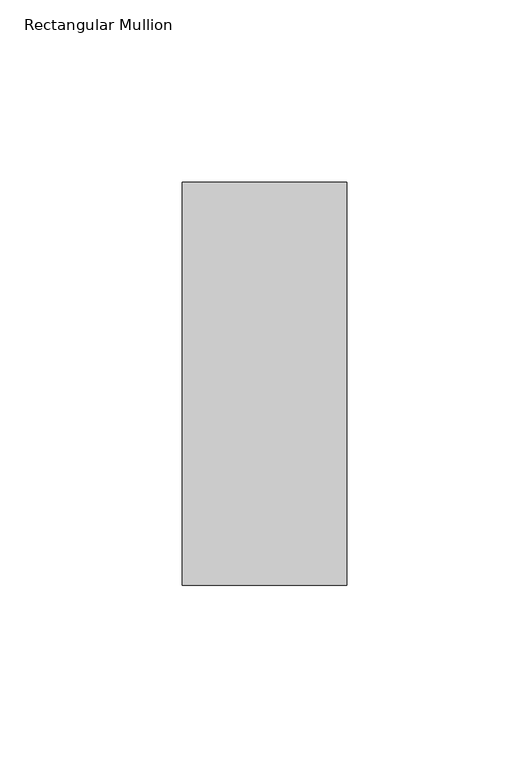
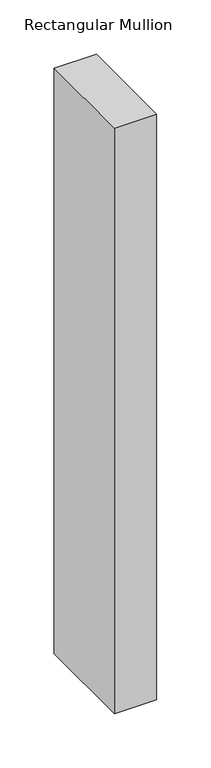
"""IFC4 building model written with IfcOpenShell, lengths in millimetres: member geometry, Rectangular Mullion."""

from ifc_helpers import new_model, si_unit, frame, origin, place, context, project, spatial, polyline, outline, extrude, source, transform, mapped, element, save


def rectangular_mullion_fa99a4a8(model_context):
    return source(origin(), model_context, "Body", "SweptSolid", [
        extrude(outline(polyline([(0.0, -70.7), (-45.0, -70.7), (-45.0, 39.7), (0.0, 39.7), (0.0, -70.7)])), frame((0.0, 0.0, -656.4), z_axis=(0.0, 0.0, 1.0), x_axis=(1.0, 0.0, 0.0)), (0.0, 0.0, 1.0), 656.4),
    ])


if __name__ == "__main__":
    model = new_model("IFC4")
    model_context = context("Model", 3, world=origin())
    ifc_project = project(units=[si_unit("LENGTHUNIT", "METRE", prefix="MILLI")], contexts=[model_context])
    site = spatial("IfcSite", under=ifc_project)
    building = spatial("IfcBuilding", under=site)
    placement = place(None, origin())
    rectangular_mullion_shape = rectangular_mullion_fa99a4a8(model_context)
    element("IfcMember", 1, ObjectType="Rectangular Mullion", at=placement, inside=building, context=model_context, shape_type="MappedRepresentation", body=[
        mapped(rectangular_mullion_shape, transform((0.0, 0.0, 0.0), x_axis=(1.0, 0.0, 0.0), y_axis=(0.0, 1.0, 0.0), z_axis=(0.0, 0.0, 1.0))),
    ])
    save(model, "model.ifc")
